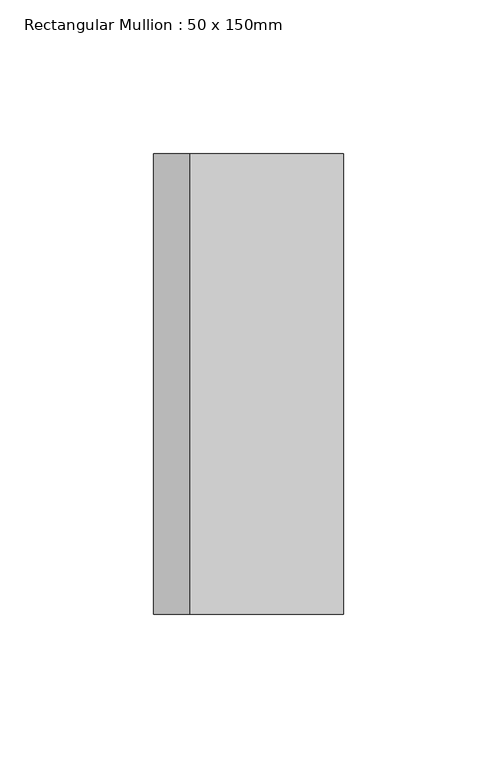
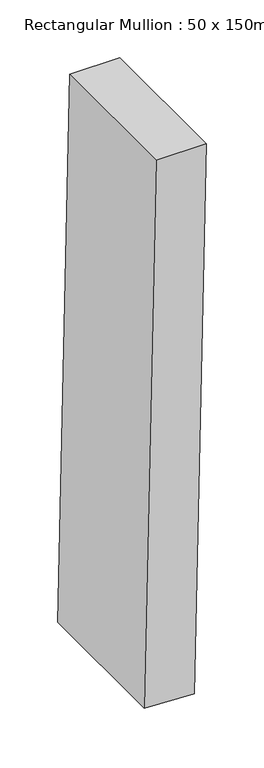
"""IFC4 building model written with IfcOpenShell, lengths in millimetres: member geometry, Rectangular Mullion : 50 x 150mm."""

from ifc_helpers import new_model, si_unit, point, frame, frame_2d, origin, place, context, project, spatial, polyline, circle_curve, trimmed, segment, composite_curve, outline, extrude, source, transform, mapped, element, save


def rectangular_mullion_50_x_150mm_fab7c6ca(model_context):
    return source(origin(), model_context, "Body", "SweptSolid", [
        extrude(outline(composite_curve([segment(trimmed(circle_curve(frame_2d((0.0, -13869.9628559)), 13869.9628559), [point((-577.9982556, -12.0485958))], [point((0.0, 0.0))], False, "CARTESIAN"), True, "CONTINUOUS"), segment(polyline([(0.0, 0.0), (0.0, -50.0)]), True, "CONTINUOUS"), segment(trimmed(circle_curve(frame_2d((0.0, -13869.9628559)), 13819.9628559), [point((0.0, -50.0))], [point((-575.9146226, -62.0051617))], True, "CARTESIAN"), True, "CONTINUOUS"), segment(polyline([(-575.9146226, -62.0051617), (-577.9982556, -12.0485958)]), True, "CONTINUOUS")], self_intersect=False)), frame((0.0, -75.0, 0.0), z_axis=(0.0, 1.0, 0.0), x_axis=(0.0, 0.0, 1.0)), (0.0, 0.0, 1.0), 150.0),
    ])


if __name__ == "__main__":
    model = new_model("IFC4")
    model_context = context("Model", 3, world=origin())
    ifc_project = project(units=[si_unit("LENGTHUNIT", "METRE", prefix="MILLI")], contexts=[model_context])
    site = spatial("IfcSite", under=ifc_project)
    building = spatial("IfcBuilding", under=site)
    placement = place(None, origin())
    rectangular_mullion_50_x_150mm_shape = rectangular_mullion_50_x_150mm_fab7c6ca(model_context)
    element("IfcMember", 1, ObjectType="Rectangular Mullion : 50 x 150mm", at=placement, inside=building, context=model_context, shape_type="MappedRepresentation", body=[
        mapped(rectangular_mullion_50_x_150mm_shape, transform((0.0, 0.0, 0.0), x_axis=(1.0, 0.0, 0.0), y_axis=(0.0, 1.0, 0.0), z_axis=(0.0, 0.0, 1.0))),
    ])
    save(model, "model.ifc")
